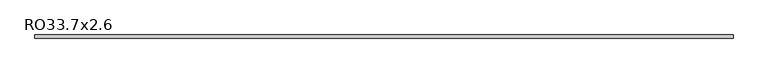
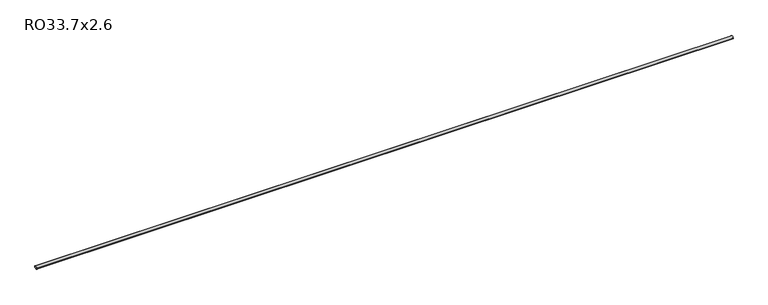
"""IFC4 building model written with IfcOpenShell, lengths in millimetres: beam geometry, RO33.7x2.6."""

from ifc_helpers import new_model, si_unit, point, frame, origin, origin_2d, place, context, project, spatial, circle_curve, trimmed, segment, composite_curve, outline, extrude, source, transform, mapped, element, save


def ro33_7x2_6_1460035d(model_context):
    return source(origin(), model_context, "Body", "SweptSolid", [
        extrude(outline(composite_curve([segment(trimmed(circle_curve(origin_2d(), 16.85), [point((16.85, 0.0))], [point((-16.85, 0.0))], False, "CARTESIAN"), True, "CONTINUOUS"), segment(trimmed(circle_curve(origin_2d(), 16.85), [point((-16.85, 0.0))], [point((16.85, 0.0))], False, "CARTESIAN"), True, "CONTINUOUS")], self_intersect=False), holes=[composite_curve([segment(trimmed(circle_curve(origin_2d(), 14.25), [point((-14.25, 0.0))], [point((14.25, 0.0))], True, "CARTESIAN"), True, "CONTINUOUS"), segment(trimmed(circle_curve(origin_2d(), 14.25), [point((14.25, 0.0))], [point((-14.25, 0.0))], True, "CARTESIAN"), True, "CONTINUOUS")], self_intersect=False)]), frame((-3778.5, 0.0, 0.0), z_axis=(1.0, 0.0, 0.0), x_axis=(0.0, 1.0, 0.0)), (0.0, 0.0, 1.0), 7589.1),
    ])


if __name__ == "__main__":
    model = new_model("IFC4")
    model_context = context("Model", 3, world=origin())
    ifc_project = project(units=[si_unit("LENGTHUNIT", "METRE", prefix="MILLI")], contexts=[model_context])
    site = spatial("IfcSite", under=ifc_project)
    building = spatial("IfcBuilding", under=site)
    placement = place(None, origin())
    ro33_7x2_6_shape = ro33_7x2_6_1460035d(model_context)
    element("IfcBeam", 1, ObjectType="RO33.7x2.6", at=placement, inside=building, context=model_context, shape_type="MappedRepresentation", body=[
        mapped(ro33_7x2_6_shape, transform((0.0, 0.0, 0.0), x_axis=(1.0, 0.0, 0.0), y_axis=(0.0, 1.0, 0.0), z_axis=(0.0, 0.0, 1.0))),
    ])
    save(model, "model.ifc")
